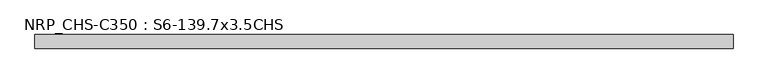
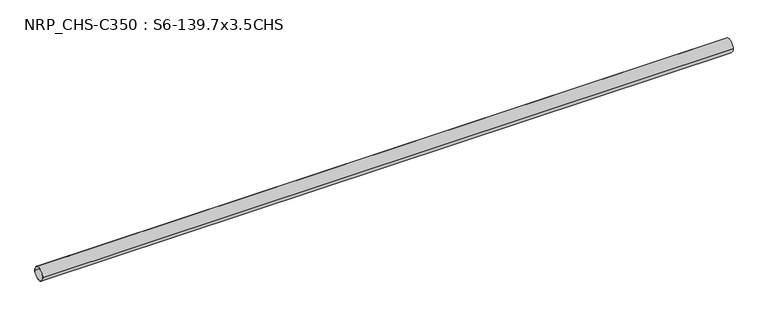
"""IFC4 building model written with IfcOpenShell, lengths in millimetres: beam geometry, NRP_CHS-C350 : S6-139.7x3.5CHS."""

from ifc_helpers import new_model, si_unit, point, frame, origin, origin_2d, place, context, project, spatial, circle_curve, trimmed, segment, composite_curve, outline, extrude, source, transform, mapped, element, save


def nrp_chs_c350_s6_139_7x3_5chs_bacd0dbb(model_context):
    return source(origin(), model_context, "Body", "SweptSolid", [
        extrude(outline(composite_curve([segment(trimmed(circle_curve(origin_2d(), 69.85), [point((-69.85, 0.0))], [point((69.85, 0.0))], False, "CARTESIAN"), True, "CONTINUOUS"), segment(trimmed(circle_curve(origin_2d(), 69.85), [point((69.85, 0.0))], [point((-69.85, 0.0))], False, "CARTESIAN"), True, "CONTINUOUS")], self_intersect=False), holes=[composite_curve([segment(trimmed(circle_curve(origin_2d(), 66.35), [point((66.35, 0.0))], [point((-66.35, 0.0))], True, "CARTESIAN"), True, "CONTINUOUS"), segment(trimmed(circle_curve(origin_2d(), 66.35), [point((-66.35, 0.0))], [point((66.35, 0.0))], True, "CARTESIAN"), True, "CONTINUOUS")], self_intersect=False)]), frame((-3604.05, 0.0, 0.0), z_axis=(1.0, 0.0, 0.0), x_axis=(0.0, 1.0, 0.0)), (0.0, 0.0, 1.0), 7168.6),
    ])


if __name__ == "__main__":
    model = new_model("IFC4")
    model_context = context("Model", 3, world=origin())
    ifc_project = project(units=[si_unit("LENGTHUNIT", "METRE", prefix="MILLI")], contexts=[model_context])
    site = spatial("IfcSite", under=ifc_project)
    building = spatial("IfcBuilding", under=site)
    placement = place(None, origin())
    nrp_chs_c350_s6_139_7x3_5chs_shape = nrp_chs_c350_s6_139_7x3_5chs_bacd0dbb(model_context)
    element("IfcBeam", 1, ObjectType="NRP_CHS-C350 : S6-139.7x3.5CHS", at=placement, inside=building, context=model_context, shape_type="MappedRepresentation", body=[
        mapped(nrp_chs_c350_s6_139_7x3_5chs_shape, transform((0.0, 0.0, 0.0), x_axis=(1.0, 0.0, 0.0), y_axis=(0.0, 1.0, 0.0), z_axis=(0.0, 0.0, 1.0))),
    ])
    save(model, "model.ifc")
